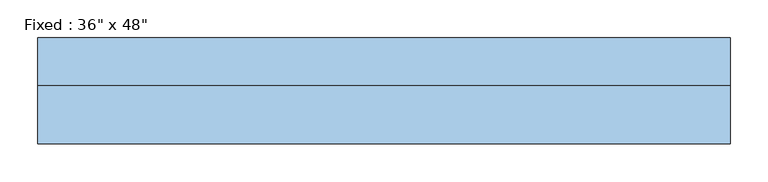
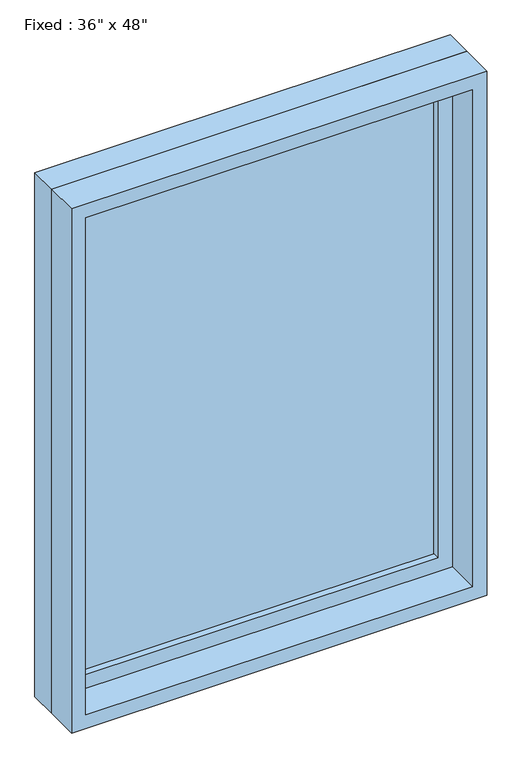
"""IFC4 building model written with IfcOpenShell, lengths in millimetres: window geometry."""

from ifc_helpers import new_model, si_unit, frame, origin, place, context, project, spatial, polyline, outline, extrude, source, transform, mapped, element, save


def window_faea5107(model_context):
    return source(origin(), model_context, "Body", "SweptSolid", [
        extrude(outline(polyline([(355.6, 22.225), (-431.8, 22.225), (-431.8, 34.925), (355.6, 34.925), (355.6, 22.225)])), frame((0.0, 0.0, 977.9), z_axis=(0.0, 0.0, 1.0), x_axis=(1.0, 0.0, 0.0)), (0.0, 0.0, 1.0), 1092.2),
        extrude(outline(polyline([(2114.55, -476.25), (933.45, -476.25), (933.45, 400.05), (2114.55, 400.05), (2114.55, -476.25)]), holes=[polyline([(2070.1, -431.8), (2070.1, 355.6), (977.9, 355.6), (977.9, -431.8), (2070.1, -431.8)])]), frame((0.0, 6.35, 0.0), z_axis=(0.0, 1.0, 0.0), x_axis=(0.0, 0.0, 1.0)), (0.0, 0.0, 1.0), 44.45),
        extrude(outline(polyline([(2133.6, -495.3), (914.4, -495.3), (914.4, 419.1), (2133.6, 419.1), (2133.6, -495.3)]), holes=[polyline([(2101.85, -463.55), (2101.85, 387.35), (946.15, 387.35), (946.15, -463.55), (2101.85, -463.55)])]), frame((0.0, -69.85, 0.0), z_axis=(0.0, 1.0, 0.0), x_axis=(0.0, 0.0, 1.0)), (0.0, 0.0, 1.0), 76.2),
        extrude(outline(polyline([(2133.6, 419.1), (2133.6, -495.3), (914.4, -495.3), (914.4, 419.1), (2133.6, 419.1)]), holes=[polyline([(2114.55, 400.05), (933.45, 400.05), (933.45, -476.25), (2114.55, -476.25), (2114.55, 400.05)])]), frame((0.0, 6.35, 0.0), z_axis=(0.0, 1.0, 0.0), x_axis=(0.0, 0.0, 1.0)), (0.0, 0.0, 1.0), 63.5),
    ])


if __name__ == "__main__":
    model = new_model("IFC4")
    model_context = context("Model", 3, world=origin())
    ifc_project = project(units=[si_unit("LENGTHUNIT", "METRE", prefix="MILLI")], contexts=[model_context])
    site = spatial("IfcSite", under=ifc_project)
    building = spatial("IfcBuilding", under=site)
    placement = place(None, origin())
    window_shape = window_faea5107(model_context)
    element("IfcWindow", 1, ObjectType="Fixed : 36\" x 48\"", at=placement, inside=building, context=model_context, shape_type="MappedRepresentation", body=[
        mapped(window_shape, transform((0.0, 0.0, 0.0), x_axis=(1.0, 0.0, 0.0), y_axis=(0.0, 1.0, 0.0), z_axis=(0.0, 0.0, 1.0))),
    ])
    save(model, "model.ifc")
